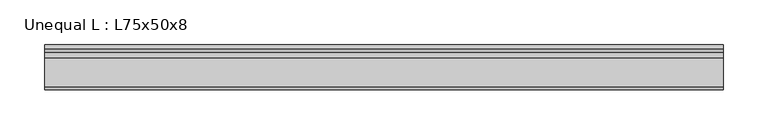
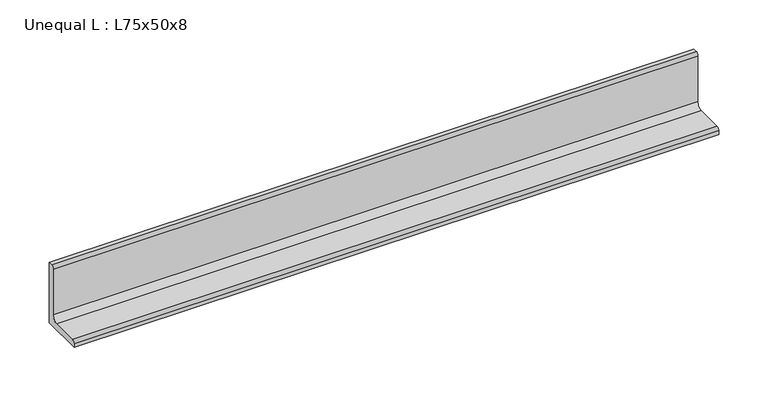
"""IFC4 building model written with IfcOpenShell, lengths in millimetres: beam geometry, Unequal L : L75x50x8."""

import ifcopenshell
import ifcopenshell.guid

model = None  # the IFC model being written
_history = None  # IfcOwnerHistory: only IFC2X3 demands one
_inside = {}  # id of a spatial element -> (the spatial element, [elements in it])
_under = {}  # id of a project, library or spatial element -> (it, [spatial elements below it])
_declared = {}  # id of a project -> (the project, [libraries it declares])
_typed = {}  # id of a type object -> (the type object, [elements of that type])
_made_of = {}  # id of a material, layer set ... -> (it, [elements and type objects made of it])


def new_model(schema):
    """Start an empty IFC model of exactly this schema.

    Asked for "IFC4X3", IfcOpenShell would pick the latest addendum, in which some entities
    have other attributes; the version numbers below select the first issue.
    IFC2X3 requires an IfcOwnerHistory on every rooted entity: one is made here for all.
    """
    global model, _history
    if schema == "IFC4X3":
        model = ifcopenshell.file(schema_version=(4, 3, 0, 0))
    else:
        model = ifcopenshell.file(schema=schema)
    _inside.clear()
    _under.clear()
    _declared.clear()
    _typed.clear()
    _made_of.clear()
    _history = None
    if model.schema == "IFC2X3":
        org = make("IfcOrganization", Name="unknown")
        user = make(
            "IfcPersonAndOrganization",
            ThePerson=make("IfcPerson", FamilyName="unknown"),
            TheOrganization=org,
        )
        app = make(
            "IfcApplication",
            ApplicationDeveloper=org,
            Version="unknown",
            ApplicationFullName="unknown",
            ApplicationIdentifier="unknown",
        )
        _history = make(
            "IfcOwnerHistory",
            OwningUser=user,
            OwningApplication=app,
            ChangeAction="ADDED",
            CreationDate=0,
        )
    return model


def make(cls, **values):
    """One entity of the class cls with the attributes given. An attribute that is None is left unset."""
    return model.create_entity(
        cls, **{name: value for name, value in values.items() if value is not None}
    )


def rooted(cls, **values):
    """An entity with a GlobalId (a new one), such as an element, a storey or a relation."""
    return make(cls, GlobalId=ifcopenshell.guid.new(), OwnerHistory=_history, **values)


def si_unit(unit_type, name, prefix=None):
    """IfcSIUnit, for example si_unit("LENGTHUNIT", "METRE", prefix="MILLI")."""
    return make("IfcSIUnit", UnitType=unit_type, Prefix=prefix, Name=name)


def assignment(units):
    """IfcUnitAssignment: the units of a project."""
    return None if units is None else make("IfcUnitAssignment", Units=units)


def point(xyz):
    """IfcCartesianPoint."""
    return None if xyz is None else make("IfcCartesianPoint", Coordinates=xyz)


def direction(xyz):
    """IfcDirection."""
    return None if xyz is None else make("IfcDirection", DirectionRatios=xyz)


def frame(location, z_axis=None, x_axis=None):
    """IfcAxis2Placement3D, a coordinate frame: its origin and axes. An axis left out is left unset."""
    return make(
        "IfcAxis2Placement3D",
        Location=point(location),
        Axis=direction(z_axis),
        RefDirection=direction(x_axis),
    )


def frame_2d(location, x_axis=None):
    """IfcAxis2Placement2D, a coordinate frame in the plane: its origin and x axis."""
    return make(
        "IfcAxis2Placement2D", Location=point(location), RefDirection=direction(x_axis)
    )


def origin():
    """The frame at (0, 0, 0) with its axes left unset."""
    return frame((0.0, 0.0, 0.0))


def place(relative_to, where):
    """IfcLocalPlacement: puts the frame where relative to a parent placement (None: the world)."""
    return make(
        "IfcLocalPlacement", PlacementRelTo=relative_to, RelativePlacement=where
    )


def context(
    kind, dimensions, precision=None, world=None, true_north=None, identifier=None
):
    """IfcGeometricRepresentationContext, for example the 3D "Model" context."""
    return make(
        "IfcGeometricRepresentationContext",
        ContextIdentifier=identifier,
        ContextType=kind,
        CoordinateSpaceDimension=dimensions,
        Precision=precision,
        WorldCoordinateSystem=world,
        TrueNorth=true_north,
    )


def project(units=None, contexts=None):
    """IfcProject with its units and contexts."""
    return rooted(
        "IfcProject",
        Name="project",
        RepresentationContexts=contexts,
        UnitsInContext=assignment(units),
    )


def spatial(cls, under=None, at=None, **own):
    """A site, building, storey or space (cls), placed at a placement, below another one or the project."""
    s = rooted(cls, ObjectPlacement=at, **own)
    if under is not None:
        _under.setdefault(under.id(), (under, []))[1].append(s)
    return s


def polyline(points):
    """IfcPolyline through the points."""
    return make("IfcPolyline", Points=[point(p) for p in points])


def circle_curve(where, radius):
    """IfcCircle in the frame where."""
    return make("IfcCircle", Position=where, Radius=radius)


def trimmed(basis, trim1, trim2, sense, master):
    """IfcTrimmedCurve: the piece of a basis curve between two trims."""
    return make(
        "IfcTrimmedCurve",
        BasisCurve=basis,
        Trim1=trim1,
        Trim2=trim2,
        SenseAgreement=sense,
        MasterRepresentation=master,
    )


def segment(curve, same_sense, transition):
    """IfcCompositeCurveSegment."""
    return make(
        "IfcCompositeCurveSegment",
        Transition=transition,
        SameSense=same_sense,
        ParentCurve=curve,
    )


def composite_curve(segments, self_intersect=None):
    """IfcCompositeCurve: segments joined end to end."""
    return make("IfcCompositeCurve", Segments=segments, SelfIntersect=self_intersect)


def outline(outer, holes=None, kind="AREA"):
    """IfcArbitraryClosedProfileDef: a profile drawn as a closed curve; with holes, ...WithVoids."""
    if holes is None:
        return make("IfcArbitraryClosedProfileDef", ProfileType=kind, OuterCurve=outer)
    return make(
        "IfcArbitraryProfileDefWithVoids",
        ProfileType=kind,
        OuterCurve=outer,
        InnerCurves=holes,
    )


def extrude(swept, where, along, depth):
    """IfcExtrudedAreaSolid: the profile swept, set in the frame where, extruded along a direction by depth."""
    return make(
        "IfcExtrudedAreaSolid",
        SweptArea=swept,
        Position=where,
        ExtrudedDirection=direction(along),
        Depth=depth,
    )


def shape(context_of_items, identifier, shape_type, items):
    """IfcShapeRepresentation: the items that make up one representation, for example the "Body"."""
    return make(
        "IfcShapeRepresentation",
        ContextOfItems=context_of_items,
        RepresentationIdentifier=identifier,
        RepresentationType=shape_type,
        Items=items,
    )


def source(mapping_origin, context_of_items, identifier, shape_type, items):
    """IfcRepresentationMap: a shape defined once, which mapped items show again and again."""
    return make(
        "IfcRepresentationMap",
        MappingOrigin=mapping_origin,
        MappedRepresentation=shape(context_of_items, identifier, shape_type, items),
    )


def transform(
    local_origin,
    x_axis=None,
    y_axis=None,
    z_axis=None,
    scale=None,
    scale2=None,
    scale3=None,
    uniform=True,
):
    """IfcCartesianTransformationOperator3D, or its non-uniform kind. x_axis, y_axis, z_axis: its Axis1, 2, 3."""
    if uniform:
        return make(
            "IfcCartesianTransformationOperator3D",
            Axis1=direction(x_axis),
            Axis2=direction(y_axis),
            LocalOrigin=point(local_origin),
            Scale=scale,
            Axis3=direction(z_axis),
        )
    return make(
        "IfcCartesianTransformationOperator3DnonUniform",
        Axis1=direction(x_axis),
        Axis2=direction(y_axis),
        LocalOrigin=point(local_origin),
        Scale=scale,
        Axis3=direction(z_axis),
        Scale2=scale2,
        Scale3=scale3,
    )


def mapped(mapping_source, mapping_target):
    """IfcMappedItem: shows the shape of a source again, moved by a transform."""
    return make(
        "IfcMappedItem", MappingSource=mapping_source, MappingTarget=mapping_target
    )


def made_of(thing, what):
    """Note that an element or type object is made of a material, layer set ...; save() writes the relation."""
    if what is not None:
        _made_of.setdefault(what.id(), (what, []))[1].append(thing)
    return thing


def element(
    cls,
    number,
    at=None,
    inside=None,
    cuts=None,
    type_object=None,
    material=None,
    context=None,
    identifier="Body",
    shape_type=None,
    held_by="IfcProductDefinitionShape",
    body=None,
    shapes=None,
    **own,
):
    """One element of the class cls, such as IfcWall. Its Tag is "e" and its number.

    at: its placement. inside: the storey or other place that contains it. cuts: it is an
    opening in that element (IfcRelVoidsElement). A single representation is given by context,
    identifier, shape_type and body (its items); several are given by shapes. held_by: the class
    of the entity that holds the representations. save() writes the other relations.
    """
    e = rooted(cls, Tag="e%d" % number, ObjectPlacement=at, **own)
    if body is not None:
        shapes = [shape(context, identifier, shape_type, body)]
    if shapes is not None:
        e.Representation = make(held_by, Representations=shapes)
    if inside is not None:
        _inside.setdefault(inside.id(), (inside, []))[1].append(e)
    if cuts is not None:
        rooted(
            "IfcRelVoidsElement", RelatingBuildingElement=cuts, RelatedOpeningElement=e
        )
    if type_object is not None:
        _typed.setdefault(type_object.id(), (type_object, []))[1].append(e)
    return made_of(e, material)


def aggregate(whole, parts):
    """IfcRelAggregates: a whole, such as a stair, and the parts it consists of."""
    return rooted("IfcRelAggregates", RelatingObject=whole, RelatedObjects=parts)


def save(model, path):
    """Write the relations noted so far, then the file.

    IfcRelAggregates (storeys below a building ...), IfcRelContainedInSpatialStructure (elements
    in a storey), IfcRelDefinesByType, IfcRelAssociatesMaterial and IfcRelDeclares: one each for
    every whole, place, type object, material and project.
    """
    for whole, parts in _under.values():
        aggregate(whole, parts)
    for where, things in _inside.values():
        rooted(
            "IfcRelContainedInSpatialStructure",
            RelatedElements=things,
            RelatingStructure=where,
        )
    for kind, things in _typed.values():
        rooted("IfcRelDefinesByType", RelatedObjects=things, RelatingType=kind)
    for what, things in _made_of.values():
        rooted("IfcRelAssociatesMaterial", RelatedObjects=things, RelatingMaterial=what)
    for by, libraries in _declared.values():
        rooted("IfcRelDeclares", RelatingContext=by, RelatedDefinitions=libraries)
    model.write(path)


def unequal_l_l75x50x8_598b4cd5(model_context):
    return source(origin(), model_context, "Body", "SweptSolid", [
        extrude(outline(composite_curve([segment(polyline([(12.9, -25.2), (-37.1, -25.2), (-37.1, -20.7)]), True, "CONTINUOUS"), segment(trimmed(circle_curve(frame_2d((-33.6, -20.7)), 3.5), [point((-37.1, -20.7))], [point((-33.6, -17.2))], False, "CARTESIAN"), True, "CONTINUOUS"), segment(polyline([(-33.6, -17.2), (-2.1, -17.2)]), True, "CONTINUOUS"), segment(trimmed(circle_curve(frame_2d((-2.1, -10.2)), 7.0), [point((-2.1, -17.2))], [point((4.9, -10.2))], True, "CARTESIAN"), True, "CONTINUOUS"), segment(polyline([(4.9, -10.2), (4.9, 46.3)]), True, "CONTINUOUS"), segment(trimmed(circle_curve(frame_2d((8.4, 46.3)), 3.5), [point((4.9, 46.3))], [point((8.4, 49.8))], False, "CARTESIAN"), True, "CONTINUOUS"), segment(polyline([(8.4, 49.8), (12.9, 49.8), (12.9, -25.2)]), True, "CONTINUOUS")], self_intersect=False)), frame((-395.0000037, 0.0, 0.0), z_axis=(1.0, 0.0, 0.0), x_axis=(0.0, 1.0, 0.0)), (0.0, 0.0, 1.0), 754.0000037),
    ])


if __name__ == "__main__":
    model = new_model("IFC4")
    model_context = context("Model", 3, world=origin())
    ifc_project = project(units=[si_unit("LENGTHUNIT", "METRE", prefix="MILLI")], contexts=[model_context])
    site = spatial("IfcSite", under=ifc_project)
    building = spatial("IfcBuilding", under=site)
    placement = place(None, origin())
    unequal_l_l75x50x8_shape = unequal_l_l75x50x8_598b4cd5(model_context)
    element("IfcBeam", 1, ObjectType="Unequal L : L75x50x8", at=placement, inside=building, context=model_context, shape_type="MappedRepresentation", body=[
        mapped(unequal_l_l75x50x8_shape, transform((0.0, 0.0, 0.0), x_axis=(1.0, 0.0, 0.0), y_axis=(0.0, 1.0, 0.0), z_axis=(0.0, 0.0, 1.0))),
    ])
    save(model, "model.ifc")
